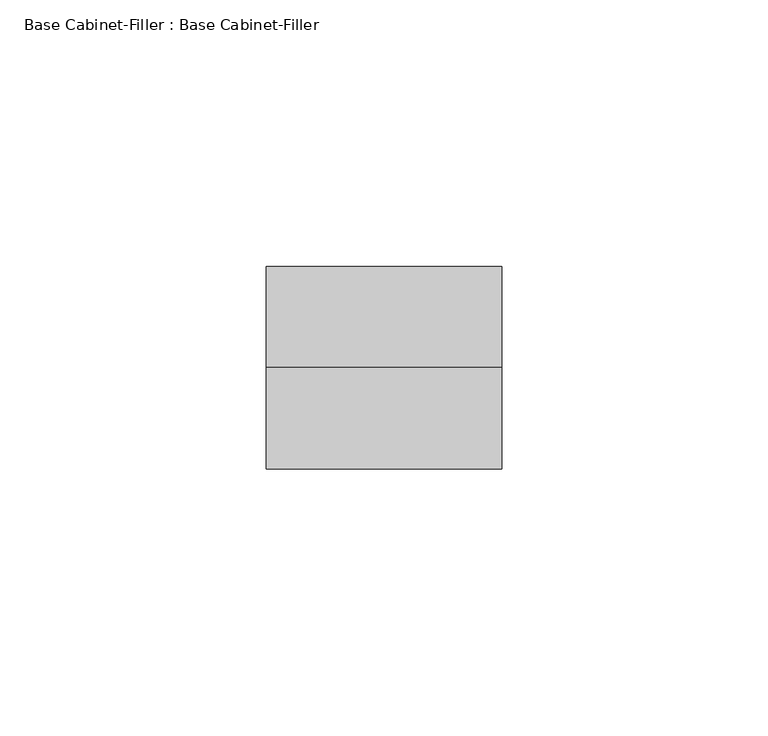
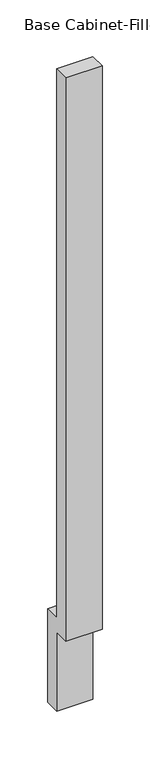
"""IFC4 building model written with IfcOpenShell, lengths in millimetres: furniture geometry, Base Cabinet-Filler : Base Cabinet-Filler."""

from ifc_helpers import new_model, si_unit, frame, origin, place, context, project, spatial, polyline, outline, extrude, source, transform, mapped, element, save


def base_cabinet_filler_base_cabinet_filler_635f3619(model_context):
    return source(origin(), model_context, "Body", "SweptSolid", [
        extrude(outline(polyline([(-590.55, 101.6), (-590.55, 825.5), (-571.5, 825.5), (-571.5, 120.65), (-552.45, 120.65), (-552.45, 0.0), (-571.5, 0.0), (-571.5, 101.6), (-590.55, 101.6)])), frame((-3.3622951, 0.0, 0.0), z_axis=(1.0, 0.0, 0.0), x_axis=(0.0, 1.0, 0.0)), (0.0, 0.0, 1.0), 44.2),
    ])


if __name__ == "__main__":
    model = new_model("IFC4")
    model_context = context("Model", 3, world=origin())
    ifc_project = project(units=[si_unit("LENGTHUNIT", "METRE", prefix="MILLI")], contexts=[model_context])
    site = spatial("IfcSite", under=ifc_project)
    building = spatial("IfcBuilding", under=site)
    placement = place(None, origin())
    base_cabinet_filler_base_cabinet_filler_shape = base_cabinet_filler_base_cabinet_filler_635f3619(model_context)
    element("IfcFurniture", 1, ObjectType="Base Cabinet-Filler : Base Cabinet-Filler", at=placement, inside=building, context=model_context, shape_type="MappedRepresentation", body=[
        mapped(base_cabinet_filler_base_cabinet_filler_shape, transform((0.0, 0.0, 0.0), x_axis=(1.0, 0.0, 0.0), y_axis=(0.0, 1.0, 0.0), z_axis=(0.0, 0.0, 1.0))),
    ])
    save(model, "model.ifc")
